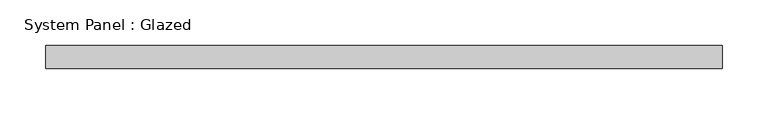
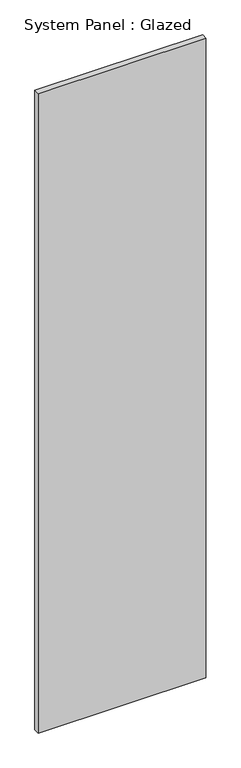
"""IFC4 building model written with IfcOpenShell, lengths in millimetres: plate geometry, System Panel : Glazed."""

from ifc_helpers import new_model, si_unit, origin, origin_with_axes, place, context, project, spatial, polyline, outline, extrude, source, transform, mapped, element, save


def system_panel_glazed_7dc63817(model_context):
    return source(origin(), model_context, "Body", "SweptSolid", [
        extrude(outline(polyline([(368.9999998, 24.5), (-368.9999998, 24.5), (-368.9999998, 49.5), (368.9999998, 49.5), (368.9999998, 24.5)])), origin_with_axes(), (0.0, 0.0, 1.0), 2976.0),
    ])


if __name__ == "__main__":
    model = new_model("IFC4")
    model_context = context("Model", 3, world=origin())
    ifc_project = project(units=[si_unit("LENGTHUNIT", "METRE", prefix="MILLI")], contexts=[model_context])
    site = spatial("IfcSite", under=ifc_project)
    building = spatial("IfcBuilding", under=site)
    placement = place(None, origin())
    system_panel_glazed_shape = system_panel_glazed_7dc63817(model_context)
    element("IfcPlate", 1, ObjectType="System Panel : Glazed", at=placement, inside=building, context=model_context, shape_type="MappedRepresentation", body=[
        mapped(system_panel_glazed_shape, transform((0.0, 0.0, 0.0), x_axis=(1.0, 0.0, 0.0), y_axis=(0.0, 1.0, 0.0), z_axis=(0.0, 0.0, 1.0))),
    ])
    save(model, "model.ifc")
